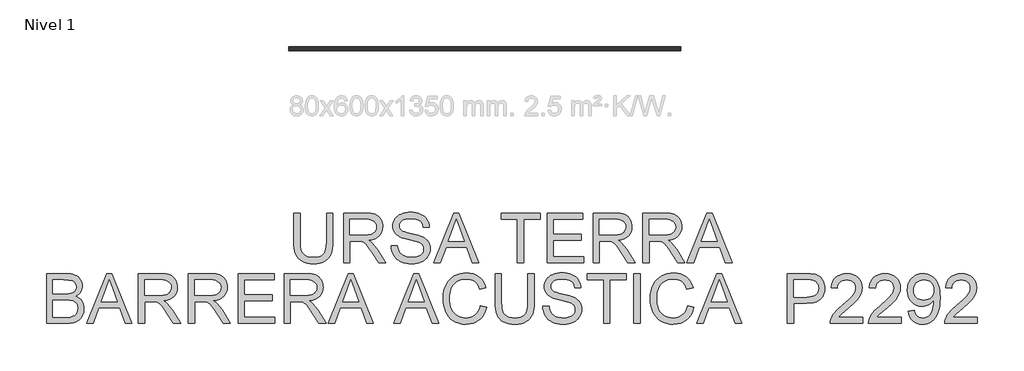
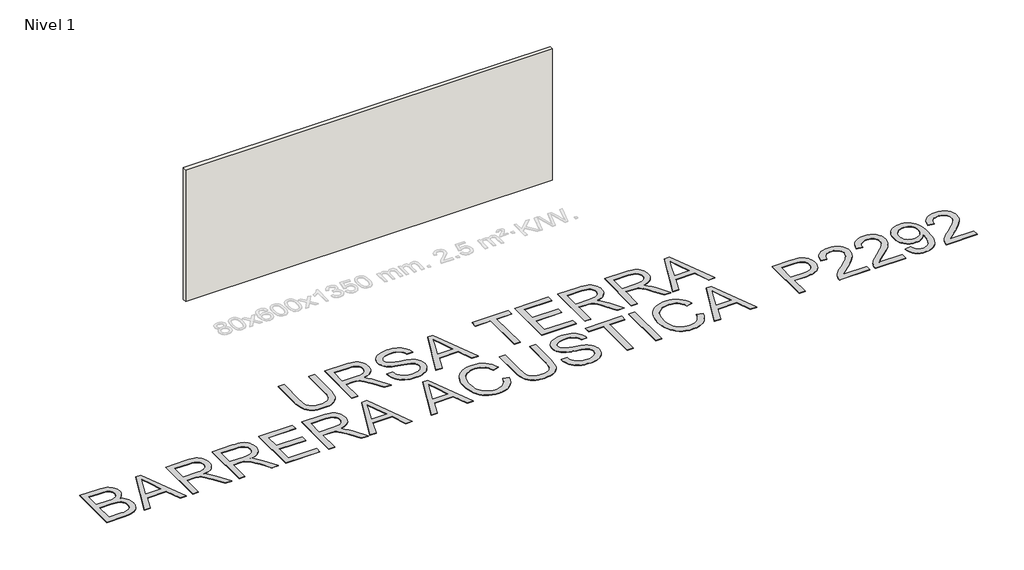
# One storey, part 1 of 2: 1 proxy, 1 wall.
"""IFC4 building model written with IfcOpenShell, lengths in millimetres."""

from ifc_helpers import new_model, si_unit, origin, origin_with_axes, place, context, project, spatial, polyline, outline, extrude, element, save

model = new_model("IFC4")

# Units and contexts
model_context = context("Model", 3, world=origin())
ifc_project = project(units=[si_unit("LENGTHUNIT", "METRE", prefix="MILLI")], contexts=[model_context])

# Site, building, storey
site = spatial("IfcSite", under=ifc_project)
building = spatial("IfcBuilding", under=site)
storey = spatial("IfcBuildingStorey", under=building, Name="Nivel 1", Elevation=0.0)

# Proxy
placement = place(None, origin())
element("IfcBuildingElementProxy", 1, Name="Texto de modelo 2", ObjectType="Texto de modelo 2", at=placement, inside=storey, context=model_context, shape_type="SweptSolid", body=[
    extrude(outline(polyline([(533.0620077, 644.7229755), (658.6323954, 644.7229755), (658.6323954, 65.1862057), (656.5017455, -6.573776), (650.1097958, -70.5315937), (639.4565464, -126.6872474), (624.5419971, -175.0407371), (604.0785612, -217.4238086), (576.7786514, -255.6682077), (542.642268, -289.7739344), (501.6694108, -319.7409886), (453.8140946, -344.1514918), (399.0303341, -361.5875655), (337.3181294, -372.0492097), (268.6774805, -375.5364245), (201.7306216, -372.501398), (141.1757123, -363.3963187), (87.0127527, -348.2211864), (39.2417428, -326.9760011), (-2.1449816, -299.9749955), (-37.1550848, -267.5324021), (-65.7885668, -229.6482208), (-88.0454275, -186.3224516), (-104.7304088, -136.0682383), (-116.6482526, -77.3987242), (-123.7989589, -10.3139096), (-126.1825277, 65.1862057), (-126.1825277, 644.7229755), (-0.61214, 644.7229755), (-0.61214, 69.6007897), (0.9360301, 8.8925963), (5.5805403, -43.2470123), (13.3213906, -86.8180362), (24.158581, -121.8204752), (38.7665619, -150.7835181), (57.8197836, -176.2363536), (81.318246, -198.1789818), (109.2619492, -216.6114026), (141.1143987, -231.2040551), (176.3390997, -241.6273782), (214.9360524, -247.8813722), (256.9052566, -249.9660368), (326.113057, -245.8426928), (384.6216226, -233.4726607), (432.4309536, -212.8559405), (452.3234061, -199.4550724), (469.5410498, -183.9925323), (484.4287743, -165.5984326), (497.3314689, -143.4028855), (517.1817682, -87.6074496), (529.0919478, -16.6062245), (533.0620077, 69.6007897), (533.0620077, 644.7229755)])), origin_with_axes(), (0.0, 0.0, 1.0), 10.0),
    extrude(outline(polyline([(878.3805738, -359.840126), (878.3805738, 644.7229755), (1311.2550548, 644.7229755), (1373.388791, 643.0291854), (1427.5977358, 637.9478154), (1473.8818893, 629.4788653), (1512.2412515, 617.6223352), (1544.906107, 601.4661842), (1574.1067404, 580.0983716), (1599.8431516, 553.5188975), (1622.1153407, 521.7277617), (1640.087909, 486.4340828), (1652.9254578, 449.3469792), (1660.6279871, 410.4664508), (1663.1954969, 369.7924977), (1658.9418613, 318.1970479), (1646.1809546, 270.832241), (1624.9127767, 227.6980771), (1595.1373278, 188.7945561), (1556.4713972, 155.3632798), (1508.5317747, 128.6458499), (1451.3184603, 108.6422664), (1384.8314538, 95.3525293), (1426.2181783, 68.3132027), (1456.2005609, 41.641758), (1507.6427266, -19.3653395), (1557.9812462, -87.6074496), (1725.4901814, -359.840126), (1579.5636566, -359.840126), (1448.842921, -151.6189168), (1396.542364, -72.1564058), (1354.4198756, -13.7857959), (1319.3178019, 26.4053121), (1288.0784891, 51.3293172), (1258.4946453, 65.9526266), (1228.3589786, 75.2416469), (1155.5183435, 79.6562309), (1003.9509615, 79.6562309), (1003.9509615, -359.840126), (878.3805738, -359.840126)]), holes=[polyline([(1003.9509615, 205.2266186), (1285.0128058, 205.2266186), (1365.7322469, 209.6718593), (1428.3641566, 223.0075817), (1453.5487449, 233.2316354), (1475.5143657, 246.1228337), (1494.261019, 261.6811764), (1509.7887049, 279.9066636), (1521.9671318, 299.9025829), (1530.6660081, 320.7722219), (1535.8853339, 342.5155806), (1537.6251092, 365.1326591), (1534.306507, 397.2456916), (1524.3507005, 426.3850113), (1507.7576897, 452.5506182), (1484.5274745, 475.7425123), (1454.1235605, 494.7344203), (1416.0094529, 508.3000689), (1370.1851519, 516.4394581), (1316.6506574, 519.1525878), (1003.9509615, 519.1525878), (1003.9509615, 205.2266186)])]), origin_with_axes(), (0.0, 0.0, 1.0), 10.0),
    extrude(outline(polyline([(1835.8547799, -14.5215599), (1961.4251676, -14.5215599), (1967.1733238, -51.072169), (1975.8338791, -84.2045411), (1987.4068335, -113.9186765), (2001.8921871, -140.2145749), (2020.0257038, -163.6210669), (2042.5431476, -184.6669827), (2069.4445185, -203.3523223), (2100.7298165, -219.6770859), (2135.2494103, -232.9285019), (2171.8536689, -242.3937991), (2210.542592, -248.0729774), (2251.3161798, -249.9660368), (2321.2750726, -244.233209), (2352.9895662, -237.0671744), (2382.5274248, -227.0347258), (2409.1605484, -214.4960811), (2432.1608373, -199.8114581), (2451.5282915, -182.9808569), (2467.262911, -164.0042773), (2479.4413379, -143.7017897), (2488.1402142, -122.8934643), (2493.35954, -101.5793012), (2495.0993153, -79.7593004), (2489.8876537, -37.7287824), (2474.2526689, -1.4004354), (2461.1008876, 14.7173945), (2442.49219, 29.5936227), (2418.4265761, 43.2282491), (2388.904046, 55.6212739), (2322.5933164, 75.3336174), (2206.0666944, 103.5685606), (2086.0451935, 135.2983826), (2042.2442434, 150.5884781), (2009.249827, 165.4953631), (1975.718916, 185.4989466), (1946.7405446, 207.7404789), (1922.314713, 232.21996), (1902.4414211, 258.9373899), (1887.0440267, 287.6168571), (1876.0458879, 317.9824501), (1869.4470046, 350.0341689), (1867.2473769, 383.7720136), (1869.9681708, 421.1656855), (1878.1305525, 457.3177558), (1891.7345222, 492.2282243), (1910.7800796, 525.897091), (1935.0526271, 556.9524628), (1964.3375667, 584.0224463), (1998.6348986, 607.1070415), (2037.9446226, 626.2062484), (2080.9408308, 641.1744471), (2126.2976151, 651.8660175), (2174.0149756, 658.2809598), (2224.0929122, 660.4192739), (2278.7233885, 658.1813251), (2330.0429268, 651.4674787), (2378.0515272, 640.2777347), (2422.7491896, 624.6120931), (2463.3081795, 604.6085096), (2498.9007626, 580.40494), (2529.5269387, 552.0013843), (2555.1867078, 519.3978424), (2575.6808007, 483.5446763), (2590.8099477, 445.3922477), (2600.574149, 404.9405567), (2604.9734045, 362.1896032), (2479.4030168, 362.1896032), (2471.0030446, 402.2580838), (2456.3490785, 437.1149029), (2435.4411184, 466.7600603), (2408.2791644, 491.1935561), (2374.3573788, 510.2927631), (2333.1699237, 523.9350537), (2284.7167993, 532.1204281), (2228.9980054, 534.8488862), (2171.5011153, 532.1510849), (2122.3735405, 524.057681), (2081.6152811, 510.5686746), (2049.2263371, 491.6840655), (2024.5475866, 468.9826807), (2006.9199077, 444.0433471), (1996.3433003, 416.8660647), (1992.8177645, 387.4508335), (1995.3162964, 362.1436179), (2002.8118921, 339.1969785), (2015.3045515, 318.6109152), (2032.7942747, 300.385428), (2060.3241107, 283.125631), (2103.6728724, 265.6818931), (2162.84056, 248.0542142), (2237.8271733, 230.2425942), (2376.2734308, 196.5813917), (2424.9871384, 181.3602741), (2460.0278984, 167.2121457), (2498.5252164, 145.7676911), (2531.6116033, 121.656092), (2559.2870592, 94.8773484), (2581.5515842, 65.4314604), (2598.6657611, 33.4717121), (2610.8901733, -0.8486124), (2618.2248206, -37.529513), (2620.669703, -76.5709897), (2617.8569386, -115.8500569), (2609.4186453, -153.9794929), (2595.3548232, -190.9592976), (2575.6654722, -226.7894711), (2550.6954818, -260.0827917), (2520.7897413, -289.4520376), (2485.9482507, -314.897209), (2446.1710099, -336.4183057), (2402.6153145, -353.5324827), (2356.4384599, -365.7568948), (2307.6404461, -373.0915421), (2256.2212731, -375.5364245), (2191.9875439, -372.8999369), (2133.1954025, -364.990474), (2079.844849, -351.8080358), (2031.9358834, -333.3526224), (1989.1772656, -309.5935769), (1951.2777559, -280.5002424), (1918.2373542, -246.072619), (1890.0560606, -206.3107067), (1867.3546758, -162.5020925), (1850.7540007, -115.9343632), (1840.2540355, -66.607519), (1835.8547799, -14.5215599)])), origin_with_axes(), (0.0, 0.0, 1.0), 10.0),
    extrude(outline(polyline([(2692.03881, -359.840126), (3093.0301848, 644.7229755), (3199.961218, 644.7229755), (3600.9525928, -359.840126), (3468.2698199, -359.840126), (3353.2453827, -45.9141568), (2939.5007655, -45.9141568), (2824.721583, -359.840126), (2692.03881, -359.840126)]), holes=[polyline([(2985.6086422, 79.6562309), (3307.3827606, 79.6562309), (3216.8837898, 326.627677), (3146.4957014, 519.1525878), (3083.9557622, 348.2100874), (2985.6086422, 79.6562309)])]), origin_with_axes(), (0.0, 0.0, 1.0), 10.0),
    extrude(outline(polyline([(4378.6551306, -359.840126), (4378.6551306, 519.1525878), (4049.0328629, 519.1525878), (4049.0328629, 644.7229755), (4833.847786, 644.7229755), (4833.847786, 519.1525878), (4504.2255183, 519.1525878), (4504.2255183, -359.840126), (4378.6551306, -359.840126)])), origin_with_axes(), (0.0, 0.0, 1.0), 10.0),
    extrude(outline(polyline([(4975.1144721, -359.840126), (4975.1144721, 644.7229755), (5697.1442013, 644.7229755), (5697.1442013, 519.1525878), (5100.6848598, 519.1525878), (5100.6848598, 220.922917), (5665.7516044, 220.922917), (5665.7516044, 95.3525293), (5100.6848598, 95.3525293), (5100.6848598, -234.2697383), (5712.8404998, -234.2697383), (5712.8404998, -359.840126), (4975.1144721, -359.840126)])), origin_with_axes(), (0.0, 0.0, 1.0), 10.0),
    extrude(outline(polyline([(5901.1960813, -359.840126), (5901.1960813, 644.7229755), (6334.0705623, 644.7229755), (6396.2042984, 643.0291854), (6450.4132433, 637.9478154), (6496.6973968, 629.4788653), (6535.056759, 617.6223352), (6567.7216145, 601.4661842), (6596.9222478, 580.0983716), (6622.6586591, 553.5188975), (6644.9308482, 521.7277617), (6662.9034165, 486.4340828), (6675.7409653, 449.3469792), (6683.4434946, 410.4664508), (6686.0110043, 369.7924977), (6681.7573688, 318.1970479), (6668.9964621, 270.832241), (6647.7282842, 227.6980771), (6617.9528352, 188.7945561), (6579.2869047, 155.3632798), (6531.3472822, 128.6458499), (6474.1339677, 108.6422664), (6407.6469613, 95.3525293), (6449.0336858, 68.3132027), (6479.0160684, 41.641758), (6530.4582341, -19.3653395), (6580.7967537, -87.6074496), (6748.3056889, -359.840126), (6602.3791641, -359.840126), (6471.6584285, -151.6189168), (6419.3578715, -72.1564058), (6377.2353831, -13.7857959), (6342.1333094, 26.4053121), (6310.8939966, 51.3293172), (6281.3101528, 65.9526266), (6251.174486, 75.2416469), (6178.333851, 79.6562309), (6026.766469, 79.6562309), (6026.766469, -359.840126), (5901.1960813, -359.840126)]), holes=[polyline([(6026.766469, 205.2266186), (6307.8283133, 205.2266186), (6388.5477544, 209.6718593), (6451.1796641, 223.0075817), (6476.3642523, 233.2316354), (6498.3298731, 246.1228337), (6517.0765265, 261.6811764), (6532.6042124, 279.9066636), (6544.7826392, 299.9025829), (6553.4815156, 320.7722219), (6558.7008414, 342.5155806), (6560.4406167, 365.1326591), (6557.1220145, 397.2456916), (6547.166208, 426.3850113), (6530.5731972, 452.5506182), (6507.342982, 475.7425123), (6476.939068, 494.7344203), (6438.8249604, 508.3000689), (6393.0006594, 516.4394581), (6339.4661649, 519.1525878), (6026.766469, 519.1525878), (6026.766469, 205.2266186)])]), origin_with_axes(), (0.0, 0.0, 1.0), 10.0),
    extrude(outline(polyline([(6905.7591828, -359.840126), (6905.7591828, 644.7229755), (7338.6336638, 644.7229755), (7400.7673999, 643.0291854), (7454.9763448, 637.9478154), (7501.2604983, 629.4788653), (7539.6198605, 617.6223352), (7572.284716, 601.4661842), (7601.4853493, 580.0983716), (7627.2217606, 553.5188975), (7649.4939497, 521.7277617), (7667.466518, 486.4340828), (7680.3040668, 449.3469792), (7688.0065961, 410.4664508), (7690.5741058, 369.7924977), (7686.3204703, 318.1970479), (7673.5595636, 270.832241), (7652.2913857, 227.6980771), (7622.5159367, 188.7945561), (7583.8500062, 155.3632798), (7535.9103837, 128.6458499), (7478.6970692, 108.6422664), (7412.2100628, 95.3525293), (7453.5967873, 68.3132027), (7483.5791699, 41.641758), (7535.0213355, -19.3653395), (7585.3598552, -87.6074496), (7752.8687904, -359.840126), (7606.9422656, -359.840126), (7476.22153, -151.6189168), (7423.920973, -72.1564058), (7381.7984846, -13.7857959), (7346.6964108, 26.4053121), (7315.4570981, 51.3293172), (7285.8732543, 65.9526266), (7255.7375875, 75.2416469), (7182.8969525, 79.6562309), (7031.3295705, 79.6562309), (7031.3295705, -359.840126), (6905.7591828, -359.840126)]), holes=[polyline([(7031.3295705, 205.2266186), (7312.3914148, 205.2266186), (7393.1108559, 209.6718593), (7455.7427656, 223.0075817), (7480.9273538, 233.2316354), (7502.8929746, 246.1228337), (7521.639628, 261.6811764), (7537.1673139, 279.9066636), (7549.3457407, 299.9025829), (7558.0446171, 320.7722219), (7563.2639429, 342.5155806), (7565.0037182, 365.1326591), (7561.685116, 397.2456916), (7551.7293095, 426.3850113), (7535.1362987, 452.5506182), (7511.9060835, 475.7425123), (7481.5021695, 494.7344203), (7443.3880619, 508.3000689), (7397.5637609, 516.4394581), (7344.0292664, 519.1525878), (7031.3295705, 519.1525878), (7031.3295705, 205.2266186)])]), origin_with_axes(), (0.0, 0.0, 1.0), 10.0),
    extrude(outline(polyline([(7793.3358098, -359.840126), (8194.3271846, 644.7229755), (8301.2582178, 644.7229755), (8702.2495926, -359.840126), (8569.5668196, -359.840126), (8454.5423825, -45.9141568), (8040.7977652, -45.9141568), (7926.0185828, -359.840126), (7793.3358098, -359.840126)]), holes=[polyline([(8086.905642, 79.6562309), (8408.6797604, 79.6562309), (8318.1807896, 326.627677), (8247.7927012, 519.1525878), (8185.252762, 348.2100874), (8086.905642, 79.6562309)])]), origin_with_axes(), (0.0, 0.0, 1.0), 10.0),
    extrude(outline(polyline([(-5109.757289, -1579.5883045), (-5109.757289, -575.025203), (-4726.42425, -575.025203), (-4670.8204193, -576.8722772), (-4620.9954016, -582.4134997), (-4576.9491969, -591.6488706), (-4538.6818052, -604.5783899), (-4505.219872, -621.3400133), (-4475.590043, -642.0716966), (-4449.7923181, -666.7734397), (-4427.8266973, -695.4452427), (-4410.2833246, -726.4699577), (-4397.7523442, -758.2304366), (-4390.2337559, -790.7266795), (-4387.7275598, -823.9586864), (-4389.8352171, -854.6538404), (-4396.1581889, -884.4446178), (-4406.6964752, -913.3310186), (-4421.450076, -941.3130429), (-4440.4649767, -967.5169708), (-4463.7871623, -991.0690827), (-4491.416633, -1011.9693786), (-4523.3533887, -1030.2178584), (-4485.453879, -1046.3740093), (-4452.1988795, -1067.3739399), (-4423.5883901, -1093.21765), (-4399.622411, -1123.9051398), (-4380.6841524, -1158.5013758), (-4367.1568249, -1196.0713245), (-4359.0404284, -1236.6149861), (-4356.3349629, -1280.1323604), (-4358.1820371, -1315.7939213), (-4363.7232596, -1350.1832237), (-4372.9586305, -1383.3002674), (-4385.8881498, -1415.1450526), (-4401.5461272, -1444.5602838), (-4418.9668726, -1470.3886656), (-4438.1503858, -1492.6301979), (-4459.0966669, -1511.2848807), (-4482.2962252, -1527.1191349), (-4508.2395701, -1540.8993813), (-4568.3576194, -1562.2978507), (-4641.4128523, -1575.265691), (-4729.367306, -1579.5883045), (-5109.757289, -1579.5883045)]), holes=[polyline([(-4984.1869013, -983.128963), (-4754.873791, -983.128963), (-4674.675516, -980.4311617), (-4620.9647447, -972.3377578), (-4595.8797912, -964.1907044), (-4574.0904472, -953.7290602), (-4555.5967127, -940.9528251), (-4540.3985878, -925.8619991), (-4528.5420577, -908.5638811), (-4520.0731076, -889.16577), (-4514.9917375, -867.6676659), (-4513.2979475, -844.0695688), (-4514.8767744, -821.4754829), (-4519.6132551, -800.2916114), (-4527.5073896, -780.5179541), (-4538.5591778, -762.1545112), (-4552.5540221, -745.8833971), (-4569.2773244, -732.3867264), (-4588.7290849, -721.6644991), (-4610.9093035, -713.7167152), (-4674.7981434, -703.8758718), (-4772.2868721, -700.5955907), (-4984.1869013, -700.5955907), (-4984.1869013, -983.128963)]), polyline([(-4984.1869013, -1454.0179168), (-4726.6695047, -1454.0179168), (-4670.2609321, -1452.7916435), (-4633.4727326, -1449.1128235), (-4590.2159413, -1438.2296478), (-4554.6233583, -1421.7669286), (-4525.683308, -1398.191824), (-4502.384115, -1365.9714926), (-4487.0250417, -1326.5468055), (-4481.9053506, -1281.3586337), (-4483.4075354, -1254.1966798), (-4487.9140898, -1228.8741357), (-4495.4250139, -1205.3910017), (-4505.9403076, -1183.7472777), (-4519.8201887, -1164.5637645), (-4537.424875, -1148.461263), (-4558.7543665, -1135.4397732), (-4583.8086632, -1125.4992951), (-4613.6914111, -1118.1493194), (-4649.5062562, -1112.8993368), (-4738.9322379, -1108.6993507), (-4984.1869013, -1108.6993507), (-4984.1869013, -1454.0179168)])]), origin_with_axes(), (0.0, 0.0, 1.0), 10.0),
    extrude(outline(polyline([(-4300.6621543, -1579.5883045), (-3899.6707795, -575.025203), (-3792.7397463, -575.025203), (-3391.7483715, -1579.5883045), (-3524.4311445, -1579.5883045), (-3639.4555816, -1265.6623353), (-4053.2001989, -1265.6623353), (-4167.9793814, -1579.5883045), (-4300.6621543, -1579.5883045)]), holes=[polyline([(-4007.0923221, -1140.0919476), (-3685.3182037, -1140.0919476), (-3775.8171745, -893.1205015), (-3846.2052629, -700.5955907), (-3908.7452021, -871.5380911), (-4007.0923221, -1140.0919476)])]), origin_with_axes(), (0.0, 0.0, 1.0), 10.0),
    extrude(outline(polyline([(-3257.5940706, -1579.5883045), (-3257.5940706, -575.025203), (-2824.7195896, -575.025203), (-2762.5858535, -576.718993), (-2708.3769087, -581.8003631), (-2662.0927551, -590.2693132), (-2623.7333929, -602.1258433), (-2591.0685374, -618.2819943), (-2561.8679041, -639.6498068), (-2536.1314928, -666.229281), (-2513.8593037, -698.0204167), (-2495.8867354, -733.3140956), (-2483.0491866, -770.4011993), (-2475.3466573, -809.2817276), (-2472.7791476, -849.9556807), (-2477.0327831, -901.5511305), (-2489.7936899, -948.9159374), (-2511.0618677, -992.0501014), (-2540.8373167, -1030.9536223), (-2579.5032472, -1064.3848987), (-2627.4428697, -1091.1023286), (-2684.6561842, -1111.105912), (-2751.1431906, -1124.3956491), (-2709.7564661, -1151.4349758), (-2679.7740835, -1178.1064204), (-2628.3319179, -1239.1135179), (-2577.9933982, -1307.3556281), (-2410.4844631, -1579.5883045), (-2556.4109878, -1579.5883045), (-2687.1317234, -1371.3670952), (-2739.4322804, -1291.9045843), (-2781.5547689, -1233.5339744), (-2816.6568426, -1193.3428664), (-2847.8961553, -1168.4188612), (-2877.4799991, -1153.7955519), (-2907.6156659, -1144.5065315), (-2980.4563009, -1140.0919476), (-3132.0236829, -1140.0919476), (-3132.0236829, -1579.5883045), (-3257.5940706, -1579.5883045)]), holes=[polyline([(-3132.0236829, -1014.5215599), (-2850.9618386, -1014.5215599), (-2770.2423975, -1010.0763191), (-2707.6104878, -996.7405968), (-2682.4258996, -986.516543), (-2660.4602788, -973.6253448), (-2641.7136254, -958.067002), (-2626.1859396, -939.8415149), (-2614.0075127, -919.8455956), (-2605.3086363, -898.9759566), (-2600.0893105, -877.2325978), (-2598.3495353, -854.6155193), (-2601.6681374, -822.5024868), (-2611.6239439, -793.3631671), (-2628.2169547, -767.1975602), (-2651.4471699, -744.0056661), (-2681.851084, -725.0137581), (-2719.9651915, -711.4481095), (-2765.7894925, -703.3087204), (-2819.323987, -700.5955907), (-3132.0236829, -700.5955907), (-3132.0236829, -1014.5215599)])]), origin_with_axes(), (0.0, 0.0, 1.0), 10.0),
    extrude(outline(polyline([(-2253.0309691, -1579.5883045), (-2253.0309691, -575.025203), (-1820.1564881, -575.025203), (-1758.022752, -576.718993), (-1703.8138072, -581.8003631), (-1657.5296536, -590.2693132), (-1619.1702914, -602.1258433), (-1586.5054359, -618.2819943), (-1557.3048026, -639.6498068), (-1531.5683913, -666.229281), (-1509.2962022, -698.0204167), (-1491.3236339, -733.3140956), (-1478.4860851, -770.4011993), (-1470.7835558, -809.2817276), (-1468.2160461, -849.9556807), (-1472.4696817, -901.5511305), (-1485.2305884, -948.9159374), (-1506.4987662, -992.0501014), (-1536.2742152, -1030.9536223), (-1574.9401457, -1064.3848987), (-1622.8797682, -1091.1023286), (-1680.0930827, -1111.105912), (-1746.5800891, -1124.3956491), (-1705.1933646, -1151.4349758), (-1675.210982, -1178.1064204), (-1623.7688164, -1239.1135179), (-1573.4302967, -1307.3556281), (-1405.9213616, -1579.5883045), (-1551.8478863, -1579.5883045), (-1682.5686219, -1371.3670952), (-1734.8691789, -1291.9045843), (-1776.9916674, -1233.5339744), (-1812.0937411, -1193.3428664), (-1843.3330538, -1168.4188612), (-1872.9168976, -1153.7955519), (-1903.0525644, -1144.5065315), (-1975.8931994, -1140.0919476), (-2127.4605814, -1140.0919476), (-2127.4605814, -1579.5883045), (-2253.0309691, -1579.5883045)]), holes=[polyline([(-2127.4605814, -1014.5215599), (-1846.3987371, -1014.5215599), (-1765.679296, -1010.0763191), (-1703.0473863, -996.7405968), (-1677.8627981, -986.516543), (-1655.8971773, -973.6253448), (-1637.1505239, -958.067002), (-1621.6228381, -939.8415149), (-1609.4444112, -919.8455956), (-1600.7455348, -898.9759566), (-1595.526209, -877.2325978), (-1593.7864338, -854.6155193), (-1597.1050359, -822.5024868), (-1607.0608424, -793.3631671), (-1623.6538533, -767.1975602), (-1646.8840684, -744.0056661), (-1677.2879825, -725.0137581), (-1715.40209, -711.4481095), (-1761.226391, -703.3087204), (-1814.7608855, -700.5955907), (-2127.4605814, -700.5955907), (-2127.4605814, -1014.5215599)])]), origin_with_axes(), (0.0, 0.0, 1.0), 10.0),
    extrude(outline(polyline([(-1248.4678676, -1579.5883045), (-1248.4678676, -575.025203), (-526.4381384, -575.025203), (-526.4381384, -700.5955907), (-1122.8974799, -700.5955907), (-1122.8974799, -998.8252614), (-557.8307354, -998.8252614), (-557.8307354, -1124.3956491), (-1122.8974799, -1124.3956491), (-1122.8974799, -1454.0179168), (-510.74184, -1454.0179168), (-510.74184, -1579.5883045), (-1248.4678676, -1579.5883045)])), origin_with_axes(), (0.0, 0.0, 1.0), 10.0),
    extrude(outline(polyline([(-322.3862584, -1579.5883045), (-322.3862584, -575.025203), (110.4882226, -575.025203), (172.6219587, -576.718993), (226.8309035, -581.8003631), (273.115057, -590.2693132), (311.4744193, -602.1258433), (344.1392747, -618.2819943), (373.3399081, -639.6498068), (399.0763194, -666.229281), (421.3485085, -698.0204167), (439.3210768, -733.3140956), (452.1586256, -770.4011993), (459.8611548, -809.2817276), (462.4286646, -849.9556807), (458.175029, -901.5511305), (445.4141223, -948.9159374), (424.1459445, -992.0501014), (394.3704955, -1030.9536223), (355.704565, -1064.3848987), (307.7649425, -1091.1023286), (250.551628, -1111.105912), (184.0646216, -1124.3956491), (225.451346, -1151.4349758), (255.4337287, -1178.1064204), (306.8758943, -1239.1135179), (357.214414, -1307.3556281), (524.7233491, -1579.5883045), (378.7968244, -1579.5883045), (248.0760888, -1371.3670952), (195.7755318, -1291.9045843), (153.6530433, -1233.5339744), (118.5509696, -1193.3428664), (87.3116569, -1168.4188612), (57.7278131, -1153.7955519), (27.5921463, -1144.5065315), (-45.2484887, -1140.0919476), (-196.8158708, -1140.0919476), (-196.8158708, -1579.5883045), (-322.3862584, -1579.5883045)]), holes=[polyline([(-196.8158708, -1014.5215599), (84.2459736, -1014.5215599), (164.9654147, -1010.0763191), (227.5973244, -996.7405968), (252.7819126, -986.516543), (274.7475334, -973.6253448), (293.4941867, -958.067002), (309.0218726, -939.8415149), (321.2002995, -919.8455956), (329.8991758, -898.9759566), (335.1185017, -877.2325978), (336.8582769, -854.6155193), (333.5396748, -822.5024868), (323.5838683, -793.3631671), (306.9908574, -767.1975602), (283.7606423, -744.0056661), (253.3567282, -725.0137581), (215.2426207, -711.4481095), (169.4183197, -703.3087204), (115.8838252, -700.5955907), (-196.8158708, -700.5955907), (-196.8158708, -1014.5215599)])]), origin_with_axes(), (0.0, 0.0, 1.0), 10.0),
    extrude(outline(polyline([(565.1903686, -1579.5883045), (966.1817433, -575.025203), (1073.1127766, -575.025203), (1474.1041513, -1579.5883045), (1341.4213784, -1579.5883045), (1226.3969413, -1265.6623353), (812.652324, -1265.6623353), (697.8731415, -1579.5883045), (565.1903686, -1579.5883045)]), holes=[polyline([(858.7602007, -1140.0919476), (1180.5343192, -1140.0919476), (1090.0353484, -893.1205015), (1019.64726, -700.5955907), (957.1073208, -871.5380911), (858.7602007, -1140.0919476)])]), origin_with_axes(), (0.0, 0.0, 1.0), 10.0),
    extrude(outline(polyline([(1883.6794393, -1579.5883045), (2284.670814, -575.025203), (2391.6018473, -575.025203), (2792.5932221, -1579.5883045), (2659.9104491, -1579.5883045), (2544.886012, -1265.6623353), (2131.1413947, -1265.6623353), (2016.3622122, -1579.5883045), (1883.6794393, -1579.5883045)]), holes=[polyline([(2177.2492715, -1140.0919476), (2499.0233899, -1140.0919476), (2408.5244191, -893.1205015), (2338.1363307, -700.5955907), (2275.5963915, -871.5380911), (2177.2492715, -1140.0919476)])]), origin_with_axes(), (0.0, 0.0, 1.0), 10.0),
    extrude(outline(polyline([(3633.0809537, -1222.4975145), (3758.6513414, -1254.8711301), (3733.8039783, -1332.9617478), (3700.7099272, -1401.1961937), (3659.3691879, -1459.5744678), (3635.6063103, -1485.0675404), (3609.7817607, -1508.0965701), (3553.0666198, -1546.2413345), (3490.3427396, -1573.4875947), (3421.6101201, -1589.8353509), (3346.8687615, -1595.2846029), (3270.295657, -1591.1612589), (3201.2181482, -1578.7912268), (3139.636235, -1558.1745067), (3085.5499175, -1529.3110985), (3038.2157675, -1492.6301979), (2996.8903567, -1448.5610005), (2961.5736852, -1397.1035065), (2932.2657529, -1338.2577156), (2909.2501356, -1274.5681452), (2892.8104089, -1208.5793123), (2882.9465729, -1140.291217), (2879.6586276, -1069.7038592), (2883.3757686, -993.9661534), (2894.5271916, -923.2255114), (2913.1128965, -857.4819332), (2939.1328835, -796.7354187), (2972.0046726, -741.9899793), (3011.145784, -694.2496263), (3056.5562178, -653.5143595), (3108.2359739, -619.7841791), (3164.4299487, -593.3349965), (3223.3830384, -574.4427232), (3285.0952431, -563.1073592), (3349.5665628, -559.3289045), (3421.3878581, -564.2186694), (3487.2463994, -578.8879639), (3547.1421868, -603.3367882), (3601.0752201, -637.5651422), (3648.1564513, -680.6686493), (3687.4968322, -731.7429329), (3719.0963627, -790.7879932), (3742.9550429, -857.8038299), (3617.3846552, -887.7248989), (3597.610998, -838.3444052), (3573.8519525, -796.1529389), (3546.1075187, -761.1504999), (3514.3776966, -733.3370882), (3478.4785452, -712.1455525), (3438.2261236, -697.0087412), (3393.6204317, -687.9266545), (3344.6614695, -684.8992922), (3288.329539, -688.2562154), (3236.8107312, -698.326985), (3190.1050463, -715.1116011), (3148.2124841, -738.6100635), (3111.661875, -767.7647116), (3080.9820494, -801.5178847), (3056.1730074, -839.8695827), (3037.2347488, -882.8198056), (3023.2322404, -928.4218446), (3013.2304487, -974.7289907), (3007.2293736, -1021.741244), (3005.2290153, -1069.4586045), (3007.5972556, -1129.4233697), (3014.7019766, -1185.4640603), (3026.5431784, -1237.5806763), (3043.1208608, -1285.7732177), (3064.7032712, -1329.0836584), (3091.5586568, -1366.5539724), (3123.6870177, -1398.1841598), (3161.0883539, -1423.9742205), (3201.946248, -1443.9854682), (3244.4442826, -1458.2792166), (3288.5824578, -1466.8554656), (3334.3607736, -1469.7142153), (3388.9529289, -1465.8207975), (3439.1764854, -1454.1405441), (3485.0314433, -1434.6734552), (3526.5178024, -1407.4195307), (3562.6545443, -1372.501398), (3592.4606501, -1330.0416844), (3615.9361199, -1280.0403899), (3633.0809537, -1222.4975145)])), origin_with_axes(), (0.0, 0.0, 1.0), 10.0),
    extrude(outline(polyline([(4590.5551598, -575.025203), (4716.1255475, -575.025203), (4716.1255475, -1154.5619727), (4713.9948976, -1226.3219544), (4707.6029479, -1290.2797721), (4696.9496985, -1346.4354258), (4682.0351493, -1394.7889156), (4661.5717133, -1437.1719871), (4634.2718036, -1475.4163862), (4600.1354201, -1509.5221128), (4559.1625629, -1539.489167), (4511.3072467, -1563.8996702), (4456.5234862, -1581.335744), (4394.8112816, -1591.7973882), (4326.1706326, -1595.2846029), (4259.2237737, -1592.2495765), (4198.6688645, -1583.1444971), (4144.5059049, -1567.9693648), (4096.734895, -1546.7241796), (4055.3481705, -1519.723174), (4020.3380673, -1487.2805805), (3991.7045853, -1449.3963992), (3969.4477246, -1406.0706301), (3952.7627433, -1355.8164167), (3940.8448995, -1297.1469027), (3933.6941932, -1230.062088), (3931.3106245, -1154.5619727), (3931.3106245, -575.025203), (4056.8810121, -575.025203), (4056.8810121, -1150.1473888), (4058.4291822, -1210.8555822), (4063.0736924, -1262.9951908), (4070.8145427, -1306.5662146), (4081.6517332, -1341.5686536), (4096.259714, -1370.5316965), (4115.3129357, -1395.9845321), (4138.8113982, -1417.9271602), (4166.7551014, -1436.359581), (4198.6075508, -1450.9522335), (4233.8322518, -1461.3755567), (4272.4292045, -1467.6295506), (4314.3984088, -1469.7142153), (4383.6062091, -1465.5908712), (4442.1147748, -1453.2208391), (4489.9241057, -1432.604119), (4509.8165582, -1419.2032509), (4527.034202, -1403.7407108), (4541.9219265, -1385.346611), (4554.824621, -1363.151064), (4574.6749204, -1307.3556281), (4586.5851, -1236.354403), (4590.5551598, -1150.1473888), (4590.5551598, -575.025203)])), origin_with_axes(), (0.0, 0.0, 1.0), 10.0),
    extrude(outline(polyline([(4888.7848306, -1234.2697383), (5014.3552183, -1234.2697383), (5020.1033744, -1270.8203474), (5028.7639297, -1303.9527196), (5040.3368842, -1333.6668549), (5054.8222377, -1359.9627534), (5072.9557544, -1383.3692453), (5095.4731982, -1404.4151611), (5122.3745691, -1423.1005008), (5153.6598671, -1439.4252643), (5188.179461, -1452.6766804), (5224.7837195, -1462.1419775), (5263.4726427, -1467.8211558), (5304.2462305, -1469.7142153), (5374.2051232, -1463.9813875), (5405.9196169, -1456.8153528), (5435.4574754, -1446.7829042), (5462.090599, -1434.2442596), (5485.0908879, -1419.5596366), (5504.4583421, -1402.7290353), (5520.1929616, -1383.7524557), (5532.3713885, -1363.4499681), (5541.0702649, -1342.6416428), (5546.2895907, -1321.3274797), (5548.0293659, -1299.5074788), (5542.8177043, -1257.4769609), (5527.1827195, -1221.1486139), (5514.0309382, -1205.0307839), (5495.4222406, -1190.1545558), (5471.3566268, -1176.5199293), (5441.8340967, -1164.1269046), (5375.523367, -1144.414561), (5258.9967451, -1116.1796179), (5138.9752441, -1084.4497958), (5095.1742941, -1069.1597004), (5062.1798776, -1054.2528154), (5028.6489666, -1034.2492319), (4999.6705953, -1012.0076996), (4975.2447636, -987.5282185), (4955.3714717, -960.8107886), (4939.9740774, -932.1313214), (4928.9759385, -901.7657284), (4922.3770553, -869.7140095), (4920.1774275, -835.9761649), (4922.8982214, -798.5824929), (4931.0606032, -762.4304227), (4944.6645728, -727.5199542), (4963.7101303, -693.8510874), (4987.9826777, -662.7957157), (5017.2676174, -635.7257322), (5051.5649492, -612.641137), (5090.8746733, -593.5419301), (5133.8708814, -578.5737314), (5179.2276658, -567.8821609), (5226.9450262, -561.4672186), (5277.0229628, -559.3289045), (5331.6534391, -561.5668533), (5382.9729774, -568.2806997), (5430.9815778, -579.4704438), (5475.6792402, -595.1360854), (5516.2382302, -615.1396689), (5551.8308132, -639.3432385), (5582.4569893, -667.7467942), (5608.1167585, -700.350336), (5628.6108513, -736.2035021), (5643.7399983, -774.3559307), (5653.5041996, -814.8076218), (5657.9034552, -857.5585753), (5532.3330675, -857.5585753), (5523.9330952, -817.4900946), (5509.2791291, -782.6332756), (5488.371169, -752.9881182), (5461.2092151, -728.5546223), (5427.2874294, -709.4554154), (5386.0999744, -695.8131247), (5337.6468499, -687.6277503), (5281.9280561, -684.8992922), (5224.4311659, -687.5970935), (5175.3035912, -695.6904974), (5134.5453318, -709.1795039), (5102.1563878, -728.064113), (5077.4776373, -750.7654978), (5059.8499583, -775.7048314), (5049.273351, -802.8821138), (5045.7478152, -832.2973449), (5048.2463471, -857.6045605), (5055.7419427, -880.5512), (5068.2346021, -901.1372633), (5085.7243253, -919.3627505), (5113.2541613, -936.6225474), (5156.6029231, -954.0662854), (5215.7706106, -971.6939643), (5290.757224, -989.5055842), (5429.2034815, -1023.1667868), (5477.917189, -1038.3879043), (5512.9579491, -1052.5360327), (5551.455267, -1073.9804874), (5584.541654, -1098.0920865), (5612.2171099, -1124.87083), (5634.4816348, -1154.3167181), (5651.5958118, -1186.2764664), (5663.8202239, -1220.5967909), (5671.1548712, -1257.2776915), (5673.5997536, -1296.3191682), (5670.7869892, -1335.5982354), (5662.3486959, -1373.7276714), (5648.2848738, -1410.7074761), (5628.5955229, -1446.5376496), (5603.6255325, -1479.8309701), (5573.7197919, -1509.2002161), (5538.8783013, -1534.6453874), (5499.1010606, -1556.1664841), (5455.5453652, -1573.2806611), (5409.3685106, -1585.5050732), (5360.5704968, -1592.8397205), (5309.1513237, -1595.2846029), (5244.9175945, -1592.6481153), (5186.1254532, -1584.7386524), (5132.7748997, -1571.5562143), (5084.865934, -1553.1008008), (5042.1073163, -1529.3417553), (5004.2078066, -1500.2484209), (4971.1674049, -1465.8207975), (4942.9861112, -1426.0588852), (4920.2847264, -1382.2502709), (4903.6840514, -1335.6825417), (4893.1840861, -1286.3556975), (4888.7848306, -1234.2697383)])), origin_with_axes(), (0.0, 0.0, 1.0), 10.0),
    extrude(outline(polyline([(6113.0961105, -1579.5883045), (6113.0961105, -700.5955907), (5783.4738428, -700.5955907), (5783.4738428, -575.025203), (6568.2887659, -575.025203), (6568.2887659, -700.5955907), (6238.6664982, -700.5955907), (6238.6664982, -1579.5883045), (6113.0961105, -1579.5883045)])), origin_with_axes(), (0.0, 0.0, 1.0), 10.0),
    extrude(outline(polyline([(6725.2517505, -1579.5883045), (6725.2517505, -575.025203), (6850.8221382, -575.025203), (6850.8221382, -1579.5883045), (6725.2517505, -1579.5883045)])), origin_with_axes(), (0.0, 0.0, 1.0), 10.0),
    extrude(outline(polyline([(7808.2963443, -1222.4975145), (7933.866732, -1254.8711301), (7909.0193689, -1332.9617478), (7875.9253177, -1401.1961937), (7834.5845785, -1459.5744678), (7810.8217009, -1485.0675404), (7784.9971513, -1508.0965701), (7728.2820103, -1546.2413345), (7665.5581302, -1573.4875947), (7596.8255107, -1589.8353509), (7522.084152, -1595.2846029), (7445.5110476, -1591.1612589), (7376.4335388, -1578.7912268), (7314.8516256, -1558.1745067), (7260.7653081, -1529.3110985), (7213.4311581, -1492.6301979), (7172.1057473, -1448.5610005), (7136.7890758, -1397.1035065), (7107.4811435, -1338.2577156), (7084.4655262, -1274.5681452), (7068.0257995, -1208.5793123), (7058.1619635, -1140.291217), (7054.8740182, -1069.7038592), (7058.5911592, -993.9661534), (7069.7425821, -923.2255114), (7088.3282871, -857.4819332), (7114.3482741, -796.7354187), (7147.2200632, -741.9899793), (7186.3611746, -694.2496263), (7231.7716084, -653.5143595), (7283.4513645, -619.7841791), (7339.6453393, -593.3349965), (7398.598429, -574.4427232), (7460.3106337, -563.1073592), (7524.7819533, -559.3289045), (7596.6032487, -564.2186694), (7662.46179, -578.8879639), (7722.3575774, -603.3367882), (7776.2906107, -637.5651422), (7823.3718419, -680.6686493), (7862.7122228, -731.7429329), (7894.3117533, -790.7879932), (7918.1704335, -857.8038299), (7792.6000458, -887.7248989), (7772.8263886, -838.3444052), (7749.0673431, -796.1529389), (7721.3229093, -761.1504999), (7689.5930872, -733.3370882), (7653.6939358, -712.1455525), (7613.4415142, -697.0087412), (7568.8358223, -687.9266545), (7519.8768601, -684.8992922), (7463.5449296, -688.2562154), (7412.0261218, -698.326985), (7365.3204369, -715.1116011), (7323.4278747, -738.6100635), (7286.8772656, -767.7647116), (7256.19744, -801.5178847), (7231.388398, -839.8695827), (7212.4501394, -882.8198056), (7198.447631, -928.4218446), (7188.4458393, -974.7289907), (7182.4447642, -1021.741244), (7180.4444059, -1069.4586045), (7182.8126462, -1129.4233697), (7189.9173672, -1185.4640603), (7201.758569, -1237.5806763), (7218.3362514, -1285.7732177), (7239.9186617, -1329.0836584), (7266.7740474, -1366.5539724), (7298.9024083, -1398.1841598), (7336.3037445, -1423.9742205), (7377.1616386, -1443.9854682), (7419.6596732, -1458.2792166), (7463.7978484, -1466.8554656), (7509.5761642, -1469.7142153), (7564.1683195, -1465.8207975), (7614.391876, -1454.1405441), (7660.2468339, -1434.6734552), (7701.733193, -1407.4195307), (7737.8699348, -1372.501398), (7767.6760407, -1330.0416844), (7791.1515105, -1280.0403899), (7808.2963443, -1222.4975145)])), origin_with_axes(), (0.0, 0.0, 1.0), 10.0),
    extrude(outline(polyline([(7989.5395406, -1579.5883045), (8390.5309153, -575.025203), (8497.4619486, -575.025203), (8898.4533233, -1579.5883045), (8765.7705504, -1579.5883045), (8650.7461133, -1265.6623353), (8237.001496, -1265.6623353), (8122.2223135, -1579.5883045), (7989.5395406, -1579.5883045)]), holes=[polyline([(8283.1093727, -1140.0919476), (8604.8834912, -1140.0919476), (8514.3845204, -893.1205015), (8443.996432, -700.5955907), (8381.4564928, -871.5380911), (8283.1093727, -1140.0919476)])]), origin_with_axes(), (0.0, 0.0, 1.0), 10.0),
    extrude(outline(polyline([(9817.4225473, -1579.5883045), (9817.4225473, -575.025203), (10189.7191264, -575.025203), (10276.4166499, -577.416436), (10339.8149804, -584.5901349), (10374.7561058, -592.1240516), (10406.7388467, -602.4630685), (10435.7632033, -615.6071856), (10461.8291755, -631.5564029), (10485.2126748, -650.6402814), (10506.1896128, -673.188382), (10524.7599893, -699.2007048), (10540.9238045, -728.6772496), (10554.0142721, -760.6446622), (10563.3646062, -794.1295879), (10568.9748066, -829.1320269), (10570.8448734, -865.6519792), (10565.7941602, -927.3181986), (10550.6420205, -984.048668), (10525.3884544, -1035.8433872), (10490.0334618, -1082.7023563), (10467.7976777, -1103.5106817), (10441.4960311, -1121.5445637), (10411.128522, -1136.8040022), (10376.6951505, -1149.2889975), (10338.1959165, -1158.9995493), (10295.63082, -1165.9356577), (10198.3030396, -1171.4845445), (9942.992935, -1171.4845445), (9942.992935, -1579.5883045), (9817.4225473, -1579.5883045)]), holes=[polyline([(9942.992935, -1045.9141568), (10205.6606795, -1045.9141568), (10266.0546404, -1043.0324145), (10317.0062967, -1034.3871876), (10358.5156485, -1019.9784762), (10390.5826958, -999.8062801), (10414.5103539, -974.407094), (10431.6015382, -944.3174125), (10441.8562489, -909.5372355), (10445.2744857, -870.0665631), (10443.258799, -840.7586308), (10437.2117387, -813.6579905), (10427.1333048, -788.7646422), (10413.0234975, -766.0785858), (10395.633409, -746.3355854), (10375.7141318, -730.271405), (10353.2656659, -717.8860444), (10328.2880113, -709.1795039), (10279.8502152, -702.741569), (10202.7176236, -700.5955907), (9942.992935, -700.5955907), (9942.992935, -1045.9141568)])]), origin_with_axes(), (0.0, 0.0, 1.0), 10.0),
    extrude(outline(polyline([(11339.963498, -1454.0179168), (11339.963498, -1579.5883045), (10680.7189626, -1579.5883045), (10683.4780776, -1535.3811514), (10694.2079691, -1493.0134083), (10707.896245, -1458.9306743), (10725.1713704, -1425.353778), (10746.0333452, -1392.2827195), (10770.4821695, -1359.7174987), (10799.9893712, -1326.3858571), (10836.0264783, -1291.0155361), (10927.6904087, -1214.1588559), (11063.1936103, -1093.8001299), (11110.6197308, -1045.4389759), (11144.4955312, -1004.956628), (11168.2085915, -968.6589378), (11185.1464917, -932.851757), (11195.3092318, -897.5350854), (11198.6968118, -862.7089232), (11195.500837, -829.944433), (11185.9129125, -799.8317589), (11169.9330383, -772.3709008), (11147.5612145, -747.5618587), (11120.0390428, -727.0141165), (11088.6081248, -712.3371577), (11053.2684606, -703.5309824), (11014.0200503, -700.5955907), (10972.6716469, -703.4620046), (10935.6918421, -712.0612462), (10903.0806361, -726.3933156), (10874.8380288, -746.4582127), (10851.991024, -771.5814873), (10835.5666258, -801.088689), (10825.564834, -834.9798178), (10821.9856488, -873.2548737), (10696.4152611, -857.5585753), (10707.2141305, -792.7347021), (10726.8574962, -736.0962032), (10755.3453582, -687.6430788), (10792.6777165, -647.3753287), (10837.9961798, -615.7221487), (10890.4423567, -593.1127344), (10950.0162473, -579.5470858), (11016.7178516, -575.025203), (11084.0172641, -580.0529236), (11143.9130514, -595.1360854), (11196.4052136, -620.2746884), (11241.4937506, -655.4687326), (11277.7071345, -698.1123872), (11303.5738373, -745.5998214), (11319.093859, -797.9310352), (11324.2671995, -855.1060286), (11318.6876559, -915.1627644), (11301.9490252, -974.1771678), (11272.242554, -1034.2032466), (11227.7594895, -1097.2950088), (11197.0643355, -1132.2821194), (11156.8502349, -1172.6188473), (11047.8651938, -1269.3411552), (10903.4101971, -1390.129077), (10872.0789138, -1421.9815264), (10846.7563698, -1454.0179168), (11339.963498, -1454.0179168)])), origin_with_axes(), (0.0, 0.0, 1.0), 10.0),
    extrude(outline(polyline([(12109.0821226, -1454.0179168), (12109.0821226, -1579.5883045), (11449.8375872, -1579.5883045), (11452.5967022, -1535.3811514), (11463.3265937, -1493.0134083), (11477.0148696, -1458.9306743), (11494.289995, -1425.353778), (11515.1519698, -1392.2827195), (11539.600794, -1359.7174987), (11569.1079957, -1326.3858571), (11605.1451029, -1291.0155361), (11696.8090333, -1214.1588559), (11832.3122349, -1093.8001299), (11879.7383554, -1045.4389759), (11913.6141558, -1004.956628), (11937.3272161, -968.6589378), (11954.2651163, -932.851757), (11964.4278564, -897.5350854), (11967.8154364, -862.7089232), (11964.6194616, -829.944433), (11955.0315371, -799.8317589), (11939.0516629, -772.3709008), (11916.6798391, -747.5618587), (11889.1576673, -727.0141165), (11857.7267494, -712.3371577), (11822.3870852, -703.5309824), (11783.1386749, -700.5955907), (11741.7902714, -703.4620046), (11704.8104667, -712.0612462), (11672.1992607, -726.3933156), (11643.9566533, -746.4582127), (11621.1096486, -771.5814873), (11604.6852504, -801.088689), (11594.6834586, -834.9798178), (11591.1042734, -873.2548737), (11465.5338857, -857.5585753), (11476.3327551, -792.7347021), (11495.9761208, -736.0962032), (11524.4639828, -687.6430788), (11561.7963411, -647.3753287), (11607.1148044, -615.7221487), (11659.5609813, -593.1127344), (11719.1348719, -579.5470858), (11785.8364761, -575.025203), (11853.1358886, -580.0529236), (11913.031676, -595.1360854), (11965.5238382, -620.2746884), (12010.6123752, -655.4687326), (12046.8257591, -698.1123872), (12072.6924619, -745.5998214), (12088.2124836, -797.9310352), (12093.3858241, -855.1060286), (12087.8062805, -915.1627644), (12071.0676497, -974.1771678), (12041.3611786, -1034.2032466), (11996.878114, -1097.2950088), (11966.1829601, -1132.2821194), (11925.9688595, -1172.6188473), (11816.9838184, -1269.3411552), (11672.5288216, -1390.129077), (11641.1975384, -1421.9815264), (11615.8749944, -1454.0179168), (12109.0821226, -1454.0179168)])), origin_with_axes(), (0.0, 0.0, 1.0), 10.0),
    extrude(outline(polyline([(12250.3488087, -1328.4475291), (12375.9191964, -1312.7512306), (12384.9629621, -1351.2332202), (12397.3789795, -1384.0283672), (12413.1672484, -1411.1366717), (12432.327769, -1432.5581337), (12454.6459434, -1448.8139194), (12479.9071737, -1460.4251949), (12508.11146, -1467.3919602), (12539.2588023, -1469.7142153), (12592.5097211, -1463.7361328), (12617.3187631, -1456.2635298), (12640.9168603, -1445.8018856), (12662.4686138, -1432.8417095), (12681.1386251, -1417.8735108), (12696.926894, -1400.8972895), (12709.8334207, -1381.9130457), (12731.5691152, -1334.6402094), (12750.9135768, -1272.7747205), (12764.5252107, -1201.7734954), (12769.0624219, -1127.0934504), (12768.3266579, -1102.5679841), (12748.2540966, -1130.4963589), (12724.824612, -1155.6656187), (12698.0382042, -1178.0757636), (12667.8948733, -1197.7267935), (12635.421623, -1213.7143319), (12601.6454573, -1225.1340021), (12566.5663762, -1231.9858043), (12530.1843797, -1234.2697383), (12470.533847, -1228.6901948), (12415.6811087, -1211.951564), (12365.6261648, -1184.053846), (12320.3690151, -1144.9970408), (12300.2792093, -1121.7936504), (12282.8680443, -1096.8198279), (12268.13552, -1070.0755733), (12256.0816365, -1041.5608865), (12240.0097918, -979.2202168), (12234.6525103, -909.7978186), (12240.2703749, -838.0608295), (12247.2927057, -804.95145), (12257.1239688, -773.6814804), (12269.7641642, -744.2509208), (12285.213292, -716.6597711), (12303.471352, -690.9080315), (12324.5383444, -666.9957018), (12372.3246828, -626.7586086), (12398.3504179, -610.9511791), (12425.7978636, -598.0178277), (12484.9578869, -580.7733592), (12549.8047528, -575.025203), (12597.6830616, -578.3054841), (12643.4613774, -588.1463275), (12687.1397001, -604.5477331), (12728.7180298, -627.509701), (12766.8091447, -656.5417218), (12800.0258232, -691.1532861), (12828.3680652, -731.3443941), (12851.8358708, -777.1150457), (12870.2376348, -831.1017285), (12883.3817519, -895.9409301), (12891.2682222, -971.6326506), (12893.8970456, -1058.17689), (12891.2758864, -1149.0667354), (12883.4124088, -1230.1923796), (12870.3066127, -1301.5538224), (12851.9584982, -1363.151064), (12828.4370431, -1416.4862891), (12799.8112254, -1463.0616825), (12766.0810449, -1502.8772443), (12727.2465018, -1535.9329744), (12684.0893452, -1561.8993119), (12637.3913245, -1580.4466958), (12587.1524395, -1591.5751262), (12533.3726903, -1595.2846029), (12476.9794462, -1590.90834), (12426.0124614, -1577.7795513), (12380.4717361, -1555.8982368), (12340.3572702, -1525.2643965), (12306.6807392, -1486.7057649), (12280.4538187, -1441.0500765), (12261.6765085, -1388.2973312), (12250.3488087, -1328.4475291)]), holes=[polyline([(12768.3266579, -906.8547626), (12764.9390779, -861.8505319), (12754.7763378, -821.7513944), (12737.8384376, -786.5573502), (12714.1253773, -756.2683993), (12684.8021166, -731.9115455), (12651.0336151, -714.5137928), (12612.8198729, -704.0751412), (12570.1608899, -700.5955907), (12526.1376778, -704.3433885), (12486.283795, -715.586782), (12450.5992414, -734.3257711), (12419.0840172, -760.5603559), (12393.3322775, -792.7576947), (12374.9381778, -829.3849458), (12363.9017179, -870.4421093), (12360.222898, -915.9291852), (12363.7024485, -956.7257656), (12374.1411001, -993.5216293), (12391.5388528, -1026.3167764), (12415.8957066, -1055.1112067), (12446.1999859, -1078.5560197), (12481.4400154, -1095.3023147), (12521.6157949, -1105.3500917), (12566.7273246, -1108.6993507), (12608.7961636, -1105.3500917), (12646.9562564, -1095.3023147), (12681.207603, -1078.5560197), (12711.5502033, -1055.1112067), (12736.3899022, -1025.749625), (12754.1325443, -991.2530237), (12764.7781295, -951.6214029), (12768.3266579, -906.8547626)])]), origin_with_axes(), (0.0, 0.0, 1.0), 10.0),
    extrude(outline(polyline([(13647.3193717, -1454.0179168), (13647.3193717, -1579.5883045), (12988.0748364, -1579.5883045), (12990.8339513, -1535.3811514), (13001.5638429, -1493.0134083), (13015.2521188, -1458.9306743), (13032.5272441, -1425.353778), (13053.3892189, -1392.2827195), (13077.8380432, -1359.7174987), (13107.3452449, -1326.3858571), (13143.382352, -1291.0155361), (13235.0462825, -1214.1588559), (13370.549484, -1093.8001299), (13417.9756046, -1045.4389759), (13451.851405, -1004.956628), (13475.5644652, -968.6589378), (13492.5023654, -932.851757), (13502.6651056, -897.5350854), (13506.0526856, -862.7089232), (13502.8567108, -829.944433), (13493.2687863, -799.8317589), (13477.2889121, -772.3709008), (13454.9170883, -747.5618587), (13427.3949165, -727.0141165), (13395.9639985, -712.3371577), (13360.6243344, -703.5309824), (13321.375924, -700.5955907), (13280.0275206, -703.4620046), (13243.0477159, -712.0612462), (13210.4365098, -726.3933156), (13182.1939025, -746.4582127), (13159.3468978, -771.5814873), (13142.9224995, -801.088689), (13132.9207078, -834.9798178), (13129.3415225, -873.2548737), (13003.7711348, -857.5585753), (13014.5700042, -792.7347021), (13034.2133699, -736.0962032), (13062.7012319, -687.6430788), (13100.0335903, -647.3753287), (13145.3520535, -615.7221487), (13197.7982305, -593.1127344), (13257.3721211, -579.5470858), (13324.0737253, -575.025203), (13391.3731378, -580.0529236), (13451.2689251, -595.1360854), (13503.7610873, -620.2746884), (13548.8496244, -655.4687326), (13585.0630083, -698.1123872), (13610.9297111, -745.5998214), (13626.4497327, -797.9310352), (13631.6230733, -855.1060286), (13626.0435297, -915.1627644), (13609.3048989, -974.1771678), (13579.5984278, -1034.2032466), (13535.1153632, -1097.2950088), (13504.4202092, -1132.2821194), (13464.2061086, -1172.6188473), (13355.2210676, -1269.3411552), (13210.7660708, -1390.129077), (13179.4347875, -1421.9815264), (13154.1122435, -1454.0179168), (13647.3193717, -1454.0179168)])), origin_with_axes(), (0.0, 0.0, 1.0), 10.0),
])

# Wall
element("IfcWall", 2, at=placement, inside=storey, context=model_context, shape_type="SweptSolid", body=[
    extrude(outline(polyline([(7668.7582768, 3920.3831431), (-231.2417232, 3920.3831431), (-231.2417232, 4000.3831431), (7668.7582768, 4000.3831431), (7668.7582768, 3920.3831431)])), origin_with_axes(), (0.0, 0.0, 1.0), 3000.0),
])

save(model, "model.ifc")
